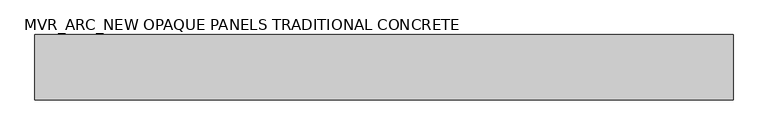
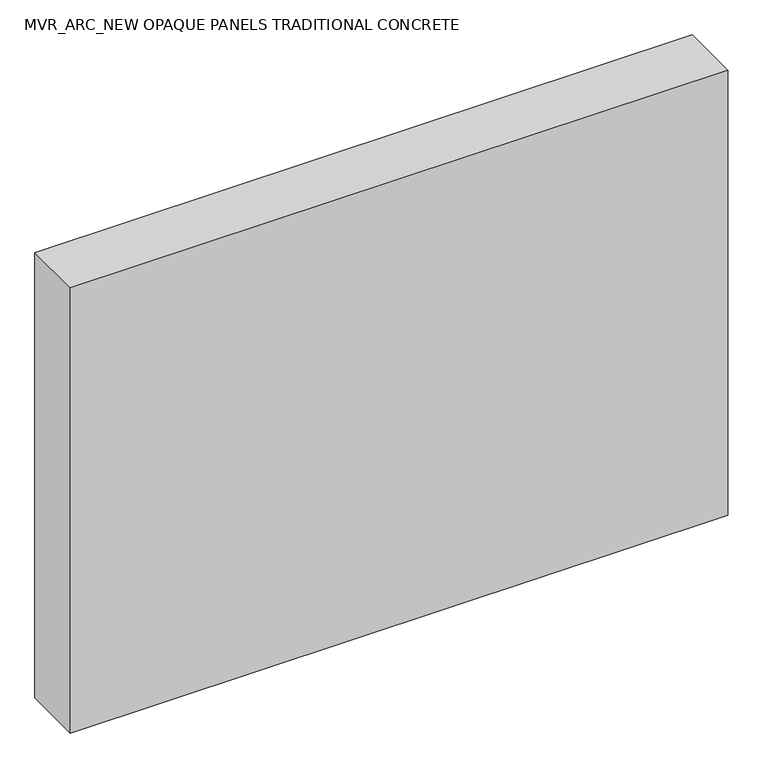
"""IFC4 building model written with IfcOpenShell, lengths in millimetres: plate geometry, MVR_ARC_NEW OPAQUE PANELS TRADITIONAL CONCRETE."""

import ifcopenshell
import ifcopenshell.guid

model = None  # the IFC model being written
_history = None  # IfcOwnerHistory: only IFC2X3 demands one
_inside = {}  # id of a spatial element -> (the spatial element, [elements in it])
_under = {}  # id of a project, library or spatial element -> (it, [spatial elements below it])
_declared = {}  # id of a project -> (the project, [libraries it declares])
_typed = {}  # id of a type object -> (the type object, [elements of that type])
_made_of = {}  # id of a material, layer set ... -> (it, [elements and type objects made of it])


def new_model(schema):
    """Start an empty IFC model of exactly this schema.

    Asked for "IFC4X3", IfcOpenShell would pick the latest addendum, in which some entities
    have other attributes; the version numbers below select the first issue.
    IFC2X3 requires an IfcOwnerHistory on every rooted entity: one is made here for all.
    """
    global model, _history
    if schema == "IFC4X3":
        model = ifcopenshell.file(schema_version=(4, 3, 0, 0))
    else:
        model = ifcopenshell.file(schema=schema)
    _inside.clear()
    _under.clear()
    _declared.clear()
    _typed.clear()
    _made_of.clear()
    _history = None
    if model.schema == "IFC2X3":
        org = make("IfcOrganization", Name="unknown")
        user = make(
            "IfcPersonAndOrganization",
            ThePerson=make("IfcPerson", FamilyName="unknown"),
            TheOrganization=org,
        )
        app = make(
            "IfcApplication",
            ApplicationDeveloper=org,
            Version="unknown",
            ApplicationFullName="unknown",
            ApplicationIdentifier="unknown",
        )
        _history = make(
            "IfcOwnerHistory",
            OwningUser=user,
            OwningApplication=app,
            ChangeAction="ADDED",
            CreationDate=0,
        )
    return model


def make(cls, **values):
    """One entity of the class cls with the attributes given. An attribute that is None is left unset."""
    return model.create_entity(
        cls, **{name: value for name, value in values.items() if value is not None}
    )


def rooted(cls, **values):
    """An entity with a GlobalId (a new one), such as an element, a storey or a relation."""
    return make(cls, GlobalId=ifcopenshell.guid.new(), OwnerHistory=_history, **values)


def si_unit(unit_type, name, prefix=None):
    """IfcSIUnit, for example si_unit("LENGTHUNIT", "METRE", prefix="MILLI")."""
    return make("IfcSIUnit", UnitType=unit_type, Prefix=prefix, Name=name)


def assignment(units):
    """IfcUnitAssignment: the units of a project."""
    return None if units is None else make("IfcUnitAssignment", Units=units)


def point(xyz):
    """IfcCartesianPoint."""
    return None if xyz is None else make("IfcCartesianPoint", Coordinates=xyz)


def direction(xyz):
    """IfcDirection."""
    return None if xyz is None else make("IfcDirection", DirectionRatios=xyz)


def frame(location, z_axis=None, x_axis=None):
    """IfcAxis2Placement3D, a coordinate frame: its origin and axes. An axis left out is left unset."""
    return make(
        "IfcAxis2Placement3D",
        Location=point(location),
        Axis=direction(z_axis),
        RefDirection=direction(x_axis),
    )


def origin():
    """The frame at (0, 0, 0) with its axes left unset."""
    return frame((0.0, 0.0, 0.0))


def origin_with_axes():
    """The frame at (0, 0, 0) with the z axis (0, 0, 1) and the x axis (1, 0, 0) written out."""
    return frame((0.0, 0.0, 0.0), z_axis=(0.0, 0.0, 1.0), x_axis=(1.0, 0.0, 0.0))


def place(relative_to, where):
    """IfcLocalPlacement: puts the frame where relative to a parent placement (None: the world)."""
    return make(
        "IfcLocalPlacement", PlacementRelTo=relative_to, RelativePlacement=where
    )


def context(
    kind, dimensions, precision=None, world=None, true_north=None, identifier=None
):
    """IfcGeometricRepresentationContext, for example the 3D "Model" context."""
    return make(
        "IfcGeometricRepresentationContext",
        ContextIdentifier=identifier,
        ContextType=kind,
        CoordinateSpaceDimension=dimensions,
        Precision=precision,
        WorldCoordinateSystem=world,
        TrueNorth=true_north,
    )


def project(units=None, contexts=None):
    """IfcProject with its units and contexts."""
    return rooted(
        "IfcProject",
        Name="project",
        RepresentationContexts=contexts,
        UnitsInContext=assignment(units),
    )


def spatial(cls, under=None, at=None, **own):
    """A site, building, storey or space (cls), placed at a placement, below another one or the project."""
    s = rooted(cls, ObjectPlacement=at, **own)
    if under is not None:
        _under.setdefault(under.id(), (under, []))[1].append(s)
    return s


def polyline(points):
    """IfcPolyline through the points."""
    return make("IfcPolyline", Points=[point(p) for p in points])


def outline(outer, holes=None, kind="AREA"):
    """IfcArbitraryClosedProfileDef: a profile drawn as a closed curve; with holes, ...WithVoids."""
    if holes is None:
        return make("IfcArbitraryClosedProfileDef", ProfileType=kind, OuterCurve=outer)
    return make(
        "IfcArbitraryProfileDefWithVoids",
        ProfileType=kind,
        OuterCurve=outer,
        InnerCurves=holes,
    )


def extrude(swept, where, along, depth):
    """IfcExtrudedAreaSolid: the profile swept, set in the frame where, extruded along a direction by depth."""
    return make(
        "IfcExtrudedAreaSolid",
        SweptArea=swept,
        Position=where,
        ExtrudedDirection=direction(along),
        Depth=depth,
    )


def shape(context_of_items, identifier, shape_type, items):
    """IfcShapeRepresentation: the items that make up one representation, for example the "Body"."""
    return make(
        "IfcShapeRepresentation",
        ContextOfItems=context_of_items,
        RepresentationIdentifier=identifier,
        RepresentationType=shape_type,
        Items=items,
    )


def source(mapping_origin, context_of_items, identifier, shape_type, items):
    """IfcRepresentationMap: a shape defined once, which mapped items show again and again."""
    return make(
        "IfcRepresentationMap",
        MappingOrigin=mapping_origin,
        MappedRepresentation=shape(context_of_items, identifier, shape_type, items),
    )


def transform(
    local_origin,
    x_axis=None,
    y_axis=None,
    z_axis=None,
    scale=None,
    scale2=None,
    scale3=None,
    uniform=True,
):
    """IfcCartesianTransformationOperator3D, or its non-uniform kind. x_axis, y_axis, z_axis: its Axis1, 2, 3."""
    if uniform:
        return make(
            "IfcCartesianTransformationOperator3D",
            Axis1=direction(x_axis),
            Axis2=direction(y_axis),
            LocalOrigin=point(local_origin),
            Scale=scale,
            Axis3=direction(z_axis),
        )
    return make(
        "IfcCartesianTransformationOperator3DnonUniform",
        Axis1=direction(x_axis),
        Axis2=direction(y_axis),
        LocalOrigin=point(local_origin),
        Scale=scale,
        Axis3=direction(z_axis),
        Scale2=scale2,
        Scale3=scale3,
    )


def mapped(mapping_source, mapping_target):
    """IfcMappedItem: shows the shape of a source again, moved by a transform."""
    return make(
        "IfcMappedItem", MappingSource=mapping_source, MappingTarget=mapping_target
    )


def made_of(thing, what):
    """Note that an element or type object is made of a material, layer set ...; save() writes the relation."""
    if what is not None:
        _made_of.setdefault(what.id(), (what, []))[1].append(thing)
    return thing


def element(
    cls,
    number,
    at=None,
    inside=None,
    cuts=None,
    type_object=None,
    material=None,
    context=None,
    identifier="Body",
    shape_type=None,
    held_by="IfcProductDefinitionShape",
    body=None,
    shapes=None,
    **own,
):
    """One element of the class cls, such as IfcWall. Its Tag is "e" and its number.

    at: its placement. inside: the storey or other place that contains it. cuts: it is an
    opening in that element (IfcRelVoidsElement). A single representation is given by context,
    identifier, shape_type and body (its items); several are given by shapes. held_by: the class
    of the entity that holds the representations. save() writes the other relations.
    """
    e = rooted(cls, Tag="e%d" % number, ObjectPlacement=at, **own)
    if body is not None:
        shapes = [shape(context, identifier, shape_type, body)]
    if shapes is not None:
        e.Representation = make(held_by, Representations=shapes)
    if inside is not None:
        _inside.setdefault(inside.id(), (inside, []))[1].append(e)
    if cuts is not None:
        rooted(
            "IfcRelVoidsElement", RelatingBuildingElement=cuts, RelatedOpeningElement=e
        )
    if type_object is not None:
        _typed.setdefault(type_object.id(), (type_object, []))[1].append(e)
    return made_of(e, material)


def aggregate(whole, parts):
    """IfcRelAggregates: a whole, such as a stair, and the parts it consists of."""
    return rooted("IfcRelAggregates", RelatingObject=whole, RelatedObjects=parts)


def save(model, path):
    """Write the relations noted so far, then the file.

    IfcRelAggregates (storeys below a building ...), IfcRelContainedInSpatialStructure (elements
    in a storey), IfcRelDefinesByType, IfcRelAssociatesMaterial and IfcRelDeclares: one each for
    every whole, place, type object, material and project.
    """
    for whole, parts in _under.values():
        aggregate(whole, parts)
    for where, things in _inside.values():
        rooted(
            "IfcRelContainedInSpatialStructure",
            RelatedElements=things,
            RelatingStructure=where,
        )
    for kind, things in _typed.values():
        rooted("IfcRelDefinesByType", RelatedObjects=things, RelatingType=kind)
    for what, things in _made_of.values():
        rooted("IfcRelAssociatesMaterial", RelatedObjects=things, RelatingMaterial=what)
    for by, libraries in _declared.values():
        rooted("IfcRelDeclares", RelatingContext=by, RelatedDefinitions=libraries)
    model.write(path)


def mvr_arc_new_opaque_panels_traditional_concrete_f50161de(model_context):
    return source(origin(), model_context, "Body", "SweptSolid", [
        extrude(outline(polyline([(800.0, -146.0), (-800.0, -146.0), (-800.0, 4.0), (800.0, 4.0), (800.0, -146.0)])), origin_with_axes(), (0.0, 0.0, 1.0), 1145.6000001),
    ])


if __name__ == "__main__":
    model = new_model("IFC4")
    model_context = context("Model", 3, world=origin())
    ifc_project = project(units=[si_unit("LENGTHUNIT", "METRE", prefix="MILLI")], contexts=[model_context])
    site = spatial("IfcSite", under=ifc_project)
    building = spatial("IfcBuilding", under=site)
    placement = place(None, origin())
    mvr_arc_new_opaque_panels_traditional_concrete_shape = mvr_arc_new_opaque_panels_traditional_concrete_f50161de(model_context)
    element("IfcPlate", 1, ObjectType="MVR_ARC_NEW OPAQUE PANELS TRADITIONAL CONCRETE", at=placement, inside=building, context=model_context, shape_type="MappedRepresentation", body=[
        mapped(mvr_arc_new_opaque_panels_traditional_concrete_shape, transform((0.0, 0.0, 0.0), x_axis=(1.0, 0.0, 0.0), y_axis=(0.0, 1.0, 0.0), z_axis=(0.0, 0.0, 1.0))),
    ])
    save(model, "model.ifc")
